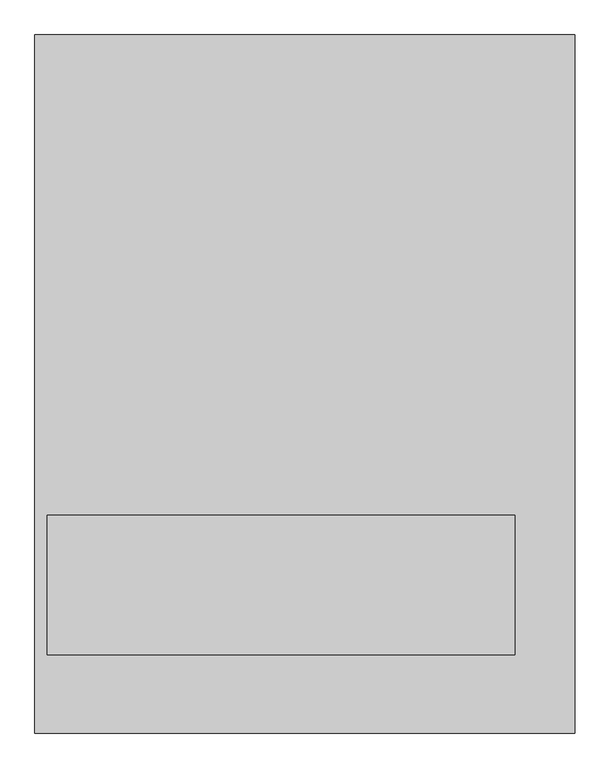
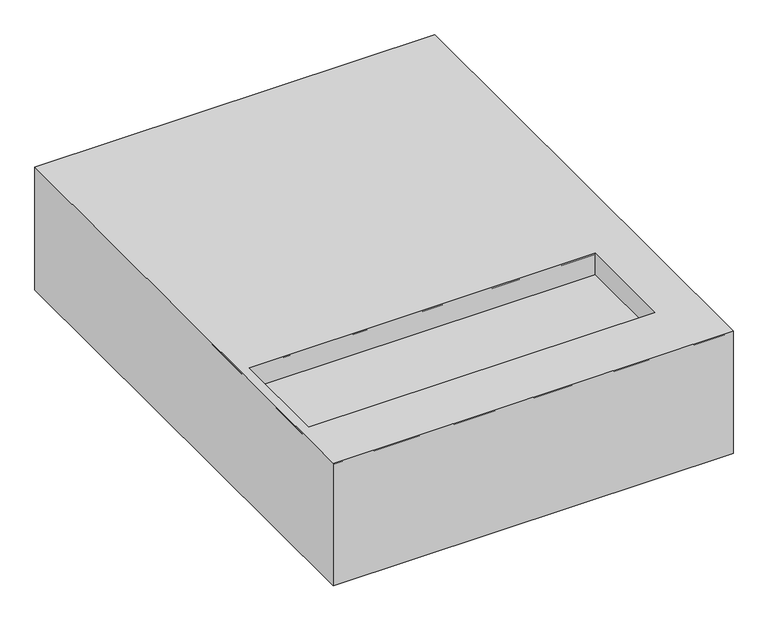
"""IFC4 building model written with IfcOpenShell, lengths in millimetres: proxy geometry."""

from ifc_helpers import new_model, si_unit, point, frame, frame_2d, origin, place, context, project, spatial, polyline, circle_curve, trimmed, segment, composite_curve, outline, extrude, faceted_brep, source, transform, mapped, element, save


def specialty_equipment_4ce13252(model_context):
    return source(origin(), model_context, "Body", "SolidModel", [
        extrude(outline(polyline([(-885.0, 2286.0), (885.0, 2286.0), (885.0, 0.0), (-885.0, 0.0), (-885.0, 2286.0)]), holes=[polyline([(687.0, 257.0), (687.0, 714.0), (-845.0, 714.0), (-845.0, 257.0), (687.0, 257.0)])]), frame((0.0, 0.0, -574.0), z_axis=(0.0, 0.0, 1.0), x_axis=(1.0, 0.0, 0.0)), (0.0, 0.0, 1.0), 574.0),
        extrude(outline(composite_curve([segment(trimmed(circle_curve(frame_2d((62.6798949, -76.4898909)), 6.4), [point((56.2798949, -76.4898909))], [point((69.0798949, -76.4898909))], False, "CARTESIAN"), True, "CONTINUOUS"), segment(trimmed(circle_curve(frame_2d((62.6798949, -76.4898909)), 6.4), [point((69.0798949, -76.4898909))], [point((56.2798949, -76.4898909))], False, "CARTESIAN"), True, "CONTINUOUS")], self_intersect=False)), frame((833.4195748, 0.0, 0.0), z_axis=(1.0, 0.0, 0.0), x_axis=(0.0, 1.0, 0.0)), (0.0, 0.0, 1.0), 27.5543529),
        extrude(outline(composite_curve([segment(trimmed(circle_curve(frame_2d((-287.0, 562.0)), 101.6), [point((-287.0, 663.6))], [point((-287.0, 460.4))], False, "CARTESIAN"), True, "CONTINUOUS"), segment(trimmed(circle_curve(frame_2d((-287.0, 562.0)), 101.6), [point((-287.0, 460.4))], [point((-287.0, 663.6))], False, "CARTESIAN"), True, "CONTINUOUS")], self_intersect=False)), frame((0.0, 922.0, 0.0), z_axis=(0.0, 1.0, 0.0), x_axis=(0.0, 0.0, 1.0)), (0.0, 0.0, 1.0), 5.0),
        faceted_brep([(885.0, 1069.8941916, -87.5), (885.0, 927.0, -5.0), (885.0, 927.0, -10.7735027), (885.0, 1071.7243186, -94.330127), (885.0, 1079.2243186, -81.339746), (885.0, 1074.8941916, -78.839746), (-802.5, 1069.8941916, -87.5), (-885.0, 927.0, -5.0), (-885.0, 927.0, -569.0), (885.0, 927.0, -569.0), (885.0, 927.0, -563.2264973), (-879.2264973, 927.0, -563.2264973), (-879.2264973, 927.0, -10.7735027), (-795.669873, 1071.7243186, -94.330127), (-808.660254, 1079.2243186, -81.339746), (-811.160254, 1074.8941916, -78.839746), (-802.5, 1069.8941916, -486.5), (-795.669873, 1071.7243186, -479.669873), (-808.660254, 1079.2243186, -492.660254), (-811.160254, 1074.8941916, -495.160254), (885.0, 1069.8941916, -486.5), (885.0, 1074.8941916, -495.160254), (885.0, 1079.2243186, -492.660254), (885.0, 1071.7243186, -479.669873)], [[[0, 1, 2, 3, 4, 5]], [[1, 0, 6, 7]], [[2, 1, 7, 8, 9, 10, 11, 12]], [[3, 2, 12, 13]], [[4, 3, 13, 14]], [[5, 4, 14, 15]], [[0, 5, 15, 6]], [[7, 6, 16, 8]], [[13, 12, 11, 17]], [[14, 13, 17, 18]], [[15, 14, 18, 19]], [[6, 15, 19, 16]], [[20, 21, 22, 23, 10, 9]], [[8, 16, 20, 9]], [[17, 11, 10, 23]], [[18, 17, 23, 22]], [[19, 18, 22, 21]], [[16, 19, 21, 20]]]),
        extrude(outline(polyline([(687.0, 257.0), (-845.0, 257.0), (-845.0, 714.0), (687.0, 714.0), (687.0, 257.0)])), frame((0.0, 0.0, -105.0), z_axis=(0.0, 0.0, 1.0), x_axis=(1.0, 0.0, 0.0)), (0.0, 0.0, 1.0), 5.0),
        extrude(outline(polyline([(687.0, 257.0), (-845.0, 257.0), (-845.0, 714.0), (687.0, 714.0), (687.0, 257.0)])), frame((0.0, 0.0, -474.0), z_axis=(0.0, 0.0, 1.0), x_axis=(1.0, 0.0, 0.0)), (0.0, 0.0, 1.0), 5.0),
        faceted_brep([(885.0, 0.0, -5.0), (885.0, 927.0, -5.0), (-885.0, 927.0, -5.0), (-885.0, 0.0, -5.0), (687.0, 714.0, -5.0), (687.0, 257.0, -5.0), (-845.0, 257.0, -5.0), (-845.0, 714.0, -5.0), (885.0, 0.0, -569.0), (-885.0, 0.0, -569.0), (-885.0, 927.0, -569.0), (885.0, 927.0, -569.0), (687.0, 257.0, -569.0), (687.0, 714.0, -569.0), (-845.0, 714.0, -569.0), (-845.0, 257.0, -569.0), (885.0, 32.6798949, -51.4898909), (885.0, 92.6798949, -51.4898909), (885.0, 92.6798949, -101.4898909), (885.0, 32.6798949, -101.4898909), (885.0, 22.6798949, -186.3984548), (885.0, 102.6798949, -186.3984548), (885.0, 102.6798949, -271.5206219), (885.0, 22.6798949, -271.5206219), (833.4195748, 92.6798949, -51.4898909), (833.4195748, 32.6798949, -51.4898909), (833.4195748, 32.6798949, -101.4898909), (833.4195748, 92.6798949, -101.4898909), (833.4195748, 102.6798949, -186.3984548), (833.4195748, 22.6798949, -186.3984548), (833.4195748, 22.6798949, -271.5206219), (833.4195748, 102.6798949, -271.5206219)], [[[0, 1, 2, 3], [4, 5, 6, 7]], [[8, 9, 10, 11], [12, 13, 14, 15]], [[1, 0, 8, 11], [16, 17, 18, 19], [20, 21, 22, 23]], [[2, 1, 11, 10]], [[3, 2, 10, 9]], [[0, 3, 9, 8]], [[4, 13, 12, 5]], [[13, 4, 7, 14]], [[14, 7, 6, 15]], [[15, 6, 5, 12]], [[24, 25, 26, 27]], [[28, 29, 30, 31]], [[25, 24, 17, 16]], [[26, 25, 16, 19]], [[27, 26, 19, 18]], [[24, 27, 18, 17]], [[29, 28, 21, 20]], [[30, 29, 20, 23]], [[31, 30, 23, 22]], [[28, 31, 22, 21]]]),
        extrude(outline(polyline([(687.0, 262.0), (682.0, 262.0), (682.0, 714.0), (687.0, 714.0), (687.0, 262.0)])), frame((0.0, 0.0, -469.0), z_axis=(0.0, 0.0, 1.0), x_axis=(1.0, 0.0, 0.0)), (0.0, 0.0, 1.0), 364.0),
        extrude(outline(polyline([(687.0, 257.0), (-845.0, 257.0), (-845.0, 262.0), (687.0, 262.0), (687.0, 257.0)])), frame((0.0, 0.0, -469.0), z_axis=(0.0, 0.0, 1.0), x_axis=(1.0, 0.0, 0.0)), (0.0, 0.0, 1.0), 364.0),
    ])


if __name__ == "__main__":
    model = new_model("IFC4")
    model_context = context("Model", 3, world=origin())
    ifc_project = project(units=[si_unit("LENGTHUNIT", "METRE", prefix="MILLI")], contexts=[model_context])
    site = spatial("IfcSite", under=ifc_project)
    building = spatial("IfcBuilding", under=site)
    placement = place(None, origin())
    specialty_equipment_shape = specialty_equipment_4ce13252(model_context)
    element("IfcBuildingElementProxy", 1, Name="Specialty Equipment", at=placement, inside=building, context=model_context, shape_type="MappedRepresentation", body=[
        mapped(specialty_equipment_shape, transform((0.0, 0.0, 0.0), x_axis=(1.0, 0.0, 0.0), y_axis=(0.0, 1.0, 0.0), z_axis=(0.0, 0.0, 1.0))),
    ])
    save(model, "model.ifc")
